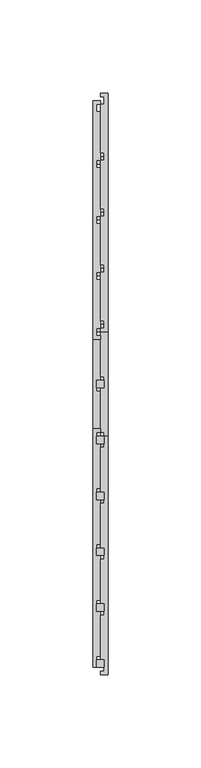
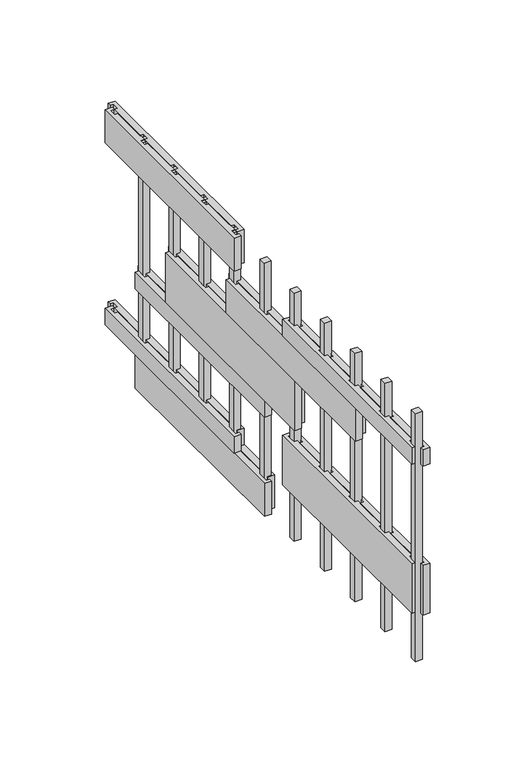
"""IFC4 building model written with IfcOpenShell, lengths in millimetres: proxy geometry."""

import ifcopenshell
import ifcopenshell.guid

model = None  # the IFC model being written
_history = None  # IfcOwnerHistory: only IFC2X3 demands one
_inside = {}  # id of a spatial element -> (the spatial element, [elements in it])
_under = {}  # id of a project, library or spatial element -> (it, [spatial elements below it])
_declared = {}  # id of a project -> (the project, [libraries it declares])
_typed = {}  # id of a type object -> (the type object, [elements of that type])
_made_of = {}  # id of a material, layer set ... -> (it, [elements and type objects made of it])


def new_model(schema):
    """Start an empty IFC model of exactly this schema.

    Asked for "IFC4X3", IfcOpenShell would pick the latest addendum, in which some entities
    have other attributes; the version numbers below select the first issue.
    IFC2X3 requires an IfcOwnerHistory on every rooted entity: one is made here for all.
    """
    global model, _history
    if schema == "IFC4X3":
        model = ifcopenshell.file(schema_version=(4, 3, 0, 0))
    else:
        model = ifcopenshell.file(schema=schema)
    _inside.clear()
    _under.clear()
    _declared.clear()
    _typed.clear()
    _made_of.clear()
    _history = None
    if model.schema == "IFC2X3":
        org = make("IfcOrganization", Name="unknown")
        user = make(
            "IfcPersonAndOrganization",
            ThePerson=make("IfcPerson", FamilyName="unknown"),
            TheOrganization=org,
        )
        app = make(
            "IfcApplication",
            ApplicationDeveloper=org,
            Version="unknown",
            ApplicationFullName="unknown",
            ApplicationIdentifier="unknown",
        )
        _history = make(
            "IfcOwnerHistory",
            OwningUser=user,
            OwningApplication=app,
            ChangeAction="ADDED",
            CreationDate=0,
        )
    return model


def make(cls, **values):
    """One entity of the class cls with the attributes given. An attribute that is None is left unset."""
    return model.create_entity(
        cls, **{name: value for name, value in values.items() if value is not None}
    )


def rooted(cls, **values):
    """An entity with a GlobalId (a new one), such as an element, a storey or a relation."""
    return make(cls, GlobalId=ifcopenshell.guid.new(), OwnerHistory=_history, **values)


def si_unit(unit_type, name, prefix=None):
    """IfcSIUnit, for example si_unit("LENGTHUNIT", "METRE", prefix="MILLI")."""
    return make("IfcSIUnit", UnitType=unit_type, Prefix=prefix, Name=name)


def assignment(units):
    """IfcUnitAssignment: the units of a project."""
    return None if units is None else make("IfcUnitAssignment", Units=units)


def point(xyz):
    """IfcCartesianPoint."""
    return None if xyz is None else make("IfcCartesianPoint", Coordinates=xyz)


def direction(xyz):
    """IfcDirection."""
    return None if xyz is None else make("IfcDirection", DirectionRatios=xyz)


def frame(location, z_axis=None, x_axis=None):
    """IfcAxis2Placement3D, a coordinate frame: its origin and axes. An axis left out is left unset."""
    return make(
        "IfcAxis2Placement3D",
        Location=point(location),
        Axis=direction(z_axis),
        RefDirection=direction(x_axis),
    )


def origin():
    """The frame at (0, 0, 0) with its axes left unset."""
    return frame((0.0, 0.0, 0.0))


def origin_with_axes():
    """The frame at (0, 0, 0) with the z axis (0, 0, 1) and the x axis (1, 0, 0) written out."""
    return frame((0.0, 0.0, 0.0), z_axis=(0.0, 0.0, 1.0), x_axis=(1.0, 0.0, 0.0))


def place(relative_to, where):
    """IfcLocalPlacement: puts the frame where relative to a parent placement (None: the world)."""
    return make(
        "IfcLocalPlacement", PlacementRelTo=relative_to, RelativePlacement=where
    )


def context(
    kind, dimensions, precision=None, world=None, true_north=None, identifier=None
):
    """IfcGeometricRepresentationContext, for example the 3D "Model" context."""
    return make(
        "IfcGeometricRepresentationContext",
        ContextIdentifier=identifier,
        ContextType=kind,
        CoordinateSpaceDimension=dimensions,
        Precision=precision,
        WorldCoordinateSystem=world,
        TrueNorth=true_north,
    )


def project(units=None, contexts=None):
    """IfcProject with its units and contexts."""
    return rooted(
        "IfcProject",
        Name="project",
        RepresentationContexts=contexts,
        UnitsInContext=assignment(units),
    )


def spatial(cls, under=None, at=None, **own):
    """A site, building, storey or space (cls), placed at a placement, below another one or the project."""
    s = rooted(cls, ObjectPlacement=at, **own)
    if under is not None:
        _under.setdefault(under.id(), (under, []))[1].append(s)
    return s


def polyline(points):
    """IfcPolyline through the points."""
    return make("IfcPolyline", Points=[point(p) for p in points])


def outline(outer, holes=None, kind="AREA"):
    """IfcArbitraryClosedProfileDef: a profile drawn as a closed curve; with holes, ...WithVoids."""
    if holes is None:
        return make("IfcArbitraryClosedProfileDef", ProfileType=kind, OuterCurve=outer)
    return make(
        "IfcArbitraryProfileDefWithVoids",
        ProfileType=kind,
        OuterCurve=outer,
        InnerCurves=holes,
    )


def extrude(swept, where, along, depth):
    """IfcExtrudedAreaSolid: the profile swept, set in the frame where, extruded along a direction by depth."""
    return make(
        "IfcExtrudedAreaSolid",
        SweptArea=swept,
        Position=where,
        ExtrudedDirection=direction(along),
        Depth=depth,
    )


def shape(context_of_items, identifier, shape_type, items):
    """IfcShapeRepresentation: the items that make up one representation, for example the "Body"."""
    return make(
        "IfcShapeRepresentation",
        ContextOfItems=context_of_items,
        RepresentationIdentifier=identifier,
        RepresentationType=shape_type,
        Items=items,
    )


def source(mapping_origin, context_of_items, identifier, shape_type, items):
    """IfcRepresentationMap: a shape defined once, which mapped items show again and again."""
    return make(
        "IfcRepresentationMap",
        MappingOrigin=mapping_origin,
        MappedRepresentation=shape(context_of_items, identifier, shape_type, items),
    )


def transform(
    local_origin,
    x_axis=None,
    y_axis=None,
    z_axis=None,
    scale=None,
    scale2=None,
    scale3=None,
    uniform=True,
):
    """IfcCartesianTransformationOperator3D, or its non-uniform kind. x_axis, y_axis, z_axis: its Axis1, 2, 3."""
    if uniform:
        return make(
            "IfcCartesianTransformationOperator3D",
            Axis1=direction(x_axis),
            Axis2=direction(y_axis),
            LocalOrigin=point(local_origin),
            Scale=scale,
            Axis3=direction(z_axis),
        )
    return make(
        "IfcCartesianTransformationOperator3DnonUniform",
        Axis1=direction(x_axis),
        Axis2=direction(y_axis),
        LocalOrigin=point(local_origin),
        Scale=scale,
        Axis3=direction(z_axis),
        Scale2=scale2,
        Scale3=scale3,
    )


def mapped(mapping_source, mapping_target):
    """IfcMappedItem: shows the shape of a source again, moved by a transform."""
    return make(
        "IfcMappedItem", MappingSource=mapping_source, MappingTarget=mapping_target
    )


def made_of(thing, what):
    """Note that an element or type object is made of a material, layer set ...; save() writes the relation."""
    if what is not None:
        _made_of.setdefault(what.id(), (what, []))[1].append(thing)
    return thing


def element(
    cls,
    number,
    at=None,
    inside=None,
    cuts=None,
    type_object=None,
    material=None,
    context=None,
    identifier="Body",
    shape_type=None,
    held_by="IfcProductDefinitionShape",
    body=None,
    shapes=None,
    **own,
):
    """One element of the class cls, such as IfcWall. Its Tag is "e" and its number.

    at: its placement. inside: the storey or other place that contains it. cuts: it is an
    opening in that element (IfcRelVoidsElement). A single representation is given by context,
    identifier, shape_type and body (its items); several are given by shapes. held_by: the class
    of the entity that holds the representations. save() writes the other relations.
    """
    e = rooted(cls, Tag="e%d" % number, ObjectPlacement=at, **own)
    if body is not None:
        shapes = [shape(context, identifier, shape_type, body)]
    if shapes is not None:
        e.Representation = make(held_by, Representations=shapes)
    if inside is not None:
        _inside.setdefault(inside.id(), (inside, []))[1].append(e)
    if cuts is not None:
        rooted(
            "IfcRelVoidsElement", RelatingBuildingElement=cuts, RelatedOpeningElement=e
        )
    if type_object is not None:
        _typed.setdefault(type_object.id(), (type_object, []))[1].append(e)
    return made_of(e, material)


def aggregate(whole, parts):
    """IfcRelAggregates: a whole, such as a stair, and the parts it consists of."""
    return rooted("IfcRelAggregates", RelatingObject=whole, RelatedObjects=parts)


def save(model, path):
    """Write the relations noted so far, then the file.

    IfcRelAggregates (storeys below a building ...), IfcRelContainedInSpatialStructure (elements
    in a storey), IfcRelDefinesByType, IfcRelAssociatesMaterial and IfcRelDeclares: one each for
    every whole, place, type object, material and project.
    """
    for whole, parts in _under.values():
        aggregate(whole, parts)
    for where, things in _inside.values():
        rooted(
            "IfcRelContainedInSpatialStructure",
            RelatedElements=things,
            RelatingStructure=where,
        )
    for kind, things in _typed.values():
        rooted("IfcRelDefinesByType", RelatedObjects=things, RelatingType=kind)
    for what, things in _made_of.values():
        rooted("IfcRelAssociatesMaterial", RelatedObjects=things, RelatingMaterial=what)
    for by, libraries in _declared.values():
        rooted("IfcRelDeclares", RelatingContext=by, RelatedDefinitions=libraries)
    model.write(path)


def generic_models_149d0970(model_context):
    return source(origin(), model_context, "Body", "SweptSolid", [
        extrude(outline(polyline([(2.0, -242.0), (-2.0, -242.0), (-2.0, -238.0), (2.0, -238.0), (2.0, -242.0)])), origin_with_axes(), (0.0, 0.0, 1.0), 150.0),
        extrude(outline(polyline([(2.0, -272.0), (-2.0, -272.0), (-2.0, -268.0), (2.0, -268.0), (2.0, -272.0)])), origin_with_axes(), (0.0, 0.0, 1.0), 150.0),
        extrude(outline(polyline([(4.0, 36.0), (4.0, -92.0), (0.0, -92.0), (0.0, -90.0), (2.0, -90.0), (2.0, -86.0), (0.0, -86.0), (0.0, -60.0), (2.0, -60.0), (2.0, -56.0), (0.0, -56.0), (0.0, -30.0), (2.0, -30.0), (2.0, -26.0), (0.0, -26.0), (0.0, 0.0), (2.0, 0.0), (2.0, 4.0), (0.0, 4.0), (0.0, 30.0), (2.0, 30.0), (2.0, 34.0), (0.0, 34.0), (0.0, 36.0), (4.0, 36.0)])), frame((0.0, 0.0, 20.0), z_axis=(0.0, 0.0, 1.0), x_axis=(1.0, 0.0, 0.0)), (0.0, 0.0, 1.0), 10.0),
        extrude(outline(polyline([(4.0, 6.0), (4.0, -122.0), (0.0, -122.0), (0.0, -120.0), (2.0, -120.0), (2.0, -116.0), (0.0, -116.0), (0.0, -90.0), (2.0, -90.0), (2.0, -86.0), (0.0, -86.0), (0.0, -60.0), (2.0, -60.0), (2.0, -56.0), (0.0, -56.0), (0.0, -30.0), (2.0, -30.0), (2.0, -26.0), (0.0, -26.0), (0.0, 0.0), (2.0, 0.0), (2.0, 4.0), (0.0, 4.0), (0.0, 6.0), (4.0, 6.0)])), origin_with_axes(), (0.0, 0.0, 1.0), 20.0),
        extrude(outline(polyline([(4.0, -148.0), (4.0, -276.0), (0.0, -276.0), (0.0, -274.0), (2.0, -274.0), (2.0, -270.0), (0.0, -270.0), (0.0, -244.0), (2.0, -244.0), (2.0, -240.0), (0.0, -240.0), (0.0, -214.0), (2.0, -214.0), (2.0, -210.0), (0.0, -210.0), (0.0, -184.0), (2.0, -184.0), (2.0, -180.0), (0.0, -180.0), (0.0, -154.0), (2.0, -154.0), (2.0, -150.0), (0.0, -150.0), (0.0, -148.0), (4.0, -148.0)])), frame((0.0, 0.0, 30.0), z_axis=(0.0, 0.0, 1.0), x_axis=(1.0, 0.0, 0.0)), (0.0, 0.0, 1.0), 30.0),
        extrude(outline(polyline([(4.0, -24.0), (4.0, -152.0), (0.0, -152.0), (0.0, -150.0), (2.0, -150.0), (2.0, -146.0), (0.0, -146.0), (0.0, -120.0), (2.0, -120.0), (2.0, -116.0), (0.0, -116.0), (0.0, -90.0), (2.0, -90.0), (2.0, -86.0), (0.0, -86.0), (0.0, -60.0), (2.0, -60.0), (2.0, -56.0), (0.0, -56.0), (0.0, -30.0), (2.0, -30.0), (2.0, -26.0), (0.0, -26.0), (0.0, -24.0), (4.0, -24.0)])), frame((0.0, 0.0, 70.0), z_axis=(0.0, 0.0, 1.0), x_axis=(1.0, 0.0, 0.0)), (0.0, 0.0, 1.0), 30.0),
        extrude(outline(polyline([(4.0, 6.0), (4.0, -122.0), (0.0, -122.0), (0.0, -120.0), (2.0, -120.0), (2.0, -116.0), (0.0, -116.0), (0.0, -90.0), (2.0, -90.0), (2.0, -86.0), (0.0, -86.0), (0.0, -60.0), (2.0, -60.0), (2.0, -56.0), (0.0, -56.0), (0.0, -30.0), (2.0, -30.0), (2.0, -26.0), (0.0, -26.0), (0.0, 0.0), (2.0, 0.0), (2.0, 4.0), (0.0, 4.0), (0.0, 6.0), (4.0, 6.0)])), frame((0.0, 0.0, 60.0), z_axis=(0.0, 0.0, 1.0), x_axis=(1.0, 0.0, 0.0)), (0.0, 0.0, 1.0), 10.0),
        extrude(outline(polyline([(4.0, -84.0), (4.0, -212.0), (0.0, -212.0), (0.0, -210.0), (2.0, -210.0), (2.0, -206.0), (0.0, -206.0), (0.0, -180.0), (2.0, -180.0), (2.0, -176.0), (0.0, -176.0), (0.0, -150.0), (2.0, -150.0), (2.0, -146.0), (0.0, -146.0), (0.0, -120.0), (2.0, -120.0), (2.0, -116.0), (0.0, -116.0), (0.0, -90.0), (2.0, -90.0), (2.0, -86.0), (0.0, -86.0), (0.0, -84.0), (4.0, -84.0)])), frame((0.0, 0.0, 100.0), z_axis=(0.0, 0.0, 1.0), x_axis=(1.0, 0.0, 0.0)), (0.0, 0.0, 1.0), 20.0),
        extrude(outline(polyline([(4.0, -148.0), (4.0, -276.0), (0.0, -276.0), (0.0, -274.0), (2.0, -274.0), (2.0, -270.0), (0.0, -270.0), (0.0, -244.0), (2.0, -244.0), (2.0, -240.0), (0.0, -240.0), (0.0, -214.0), (2.0, -214.0), (2.0, -210.0), (0.0, -210.0), (0.0, -184.0), (2.0, -184.0), (2.0, -180.0), (0.0, -180.0), (0.0, -154.0), (2.0, -154.0), (2.0, -150.0), (0.0, -150.0), (0.0, -148.0), (4.0, -148.0)])), frame((0.0, 0.0, 120.0), z_axis=(0.0, 0.0, 1.0), x_axis=(1.0, 0.0, 0.0)), (0.0, 0.0, 1.0), 10.0),
        extrude(outline(polyline([(4.0, 36.0), (4.0, -92.0), (0.0, -92.0), (0.0, -90.0), (2.0, -90.0), (2.0, -86.0), (0.0, -86.0), (0.0, -60.0), (2.0, -60.0), (2.0, -56.0), (0.0, -56.0), (0.0, -30.0), (2.0, -30.0), (2.0, -26.0), (0.0, -26.0), (0.0, 0.0), (2.0, 0.0), (2.0, 4.0), (0.0, 4.0), (0.0, 30.0), (2.0, 30.0), (2.0, 34.0), (0.0, 34.0), (0.0, 36.0), (4.0, 36.0)])), frame((0.0, 0.0, 130.0), z_axis=(0.0, 0.0, 1.0), x_axis=(1.0, 0.0, 0.0)), (0.0, 0.0, 1.0), 20.0),
        extrude(outline(polyline([(-4.0, -272.0), (-4.0, -144.0), (0.0, -144.0), (0.0, -146.0), (-2.0, -146.0), (-2.0, -150.0), (0.0, -150.0), (0.0, -176.0), (-2.0, -176.0), (-2.0, -180.0), (0.0, -180.0), (0.0, -206.0), (-2.0, -206.0), (-2.0, -210.0), (0.0, -210.0), (0.0, -236.0), (-2.0, -236.0), (-2.0, -240.0), (0.0, -240.0), (0.0, -266.0), (-2.0, -266.0), (-2.0, -270.0), (0.0, -270.0), (0.0, -272.0), (-4.0, -272.0)])), frame((0.0, 0.0, 120.0), z_axis=(0.0, 0.0, 1.0), x_axis=(1.0, 0.0, 0.0)), (0.0, 0.0, 1.0), 10.0),
        extrude(outline(polyline([(-4.0, -272.0), (-4.0, -144.0), (0.0, -144.0), (0.0, -146.0), (-2.0, -146.0), (-2.0, -150.0), (0.0, -150.0), (0.0, -176.0), (-2.0, -176.0), (-2.0, -180.0), (0.0, -180.0), (0.0, -206.0), (-2.0, -206.0), (-2.0, -210.0), (0.0, -210.0), (0.0, -236.0), (-2.0, -236.0), (-2.0, -240.0), (0.0, -240.0), (0.0, -266.0), (-2.0, -266.0), (-2.0, -270.0), (0.0, -270.0), (0.0, -272.0), (-4.0, -272.0)])), frame((0.0, 0.0, 30.0), z_axis=(0.0, 0.0, 1.0), x_axis=(1.0, 0.0, 0.0)), (0.0, 0.0, 1.0), 30.0),
        extrude(outline(polyline([(-4.0, -96.0), (-4.0, 32.0), (0.0, 32.0), (0.0, 30.0), (-2.0, 30.0), (-2.0, 26.0), (0.0, 26.0), (0.0, 0.0), (-2.0, 0.0), (-2.0, -4.0), (0.0, -4.0), (0.0, -30.0), (-2.0, -30.0), (-2.0, -34.0), (0.0, -34.0), (0.0, -60.0), (-2.0, -60.0), (-2.0, -64.0), (0.0, -64.0), (0.0, -90.0), (-2.0, -90.0), (-2.0, -94.0), (0.0, -94.0), (0.0, -96.0), (-4.0, -96.0)])), frame((0.0, 0.0, 130.0), z_axis=(0.0, 0.0, 1.0), x_axis=(1.0, 0.0, 0.0)), (0.0, 0.0, 1.0), 20.0),
        extrude(outline(polyline([(2.0, -212.0), (-2.0, -212.0), (-2.0, -208.0), (2.0, -208.0), (2.0, -212.0)])), origin_with_axes(), (0.0, 0.0, 1.0), 150.0),
        extrude(outline(polyline([(2.0, -182.0), (-2.0, -182.0), (-2.0, -178.0), (2.0, -178.0), (2.0, -182.0)])), origin_with_axes(), (0.0, 0.0, 1.0), 150.0),
        extrude(outline(polyline([(-4.0, -216.0), (-4.0, -88.0), (0.0, -88.0), (0.0, -90.0), (-2.0, -90.0), (-2.0, -94.0), (0.0, -94.0), (0.0, -120.0), (-2.0, -120.0), (-2.0, -124.0), (0.0, -124.0), (0.0, -150.0), (-2.0, -150.0), (-2.0, -154.0), (0.0, -154.0), (0.0, -180.0), (-2.0, -180.0), (-2.0, -184.0), (0.0, -184.0), (0.0, -210.0), (-2.0, -210.0), (-2.0, -214.0), (0.0, -214.0), (0.0, -216.0), (-4.0, -216.0)])), frame((0.0, 0.0, 100.0), z_axis=(0.0, 0.0, 1.0), x_axis=(1.0, 0.0, 0.0)), (0.0, 0.0, 1.0), 20.0),
        extrude(outline(polyline([(-4.0, -96.0), (-4.0, 32.0), (0.0, 32.0), (0.0, 30.0), (-2.0, 30.0), (-2.0, 26.0), (0.0, 26.0), (0.0, 0.0), (-2.0, 0.0), (-2.0, -4.0), (0.0, -4.0), (0.0, -30.0), (-2.0, -30.0), (-2.0, -34.0), (0.0, -34.0), (0.0, -60.0), (-2.0, -60.0), (-2.0, -64.0), (0.0, -64.0), (0.0, -90.0), (-2.0, -90.0), (-2.0, -94.0), (0.0, -94.0), (0.0, -96.0), (-4.0, -96.0)])), frame((0.0, 0.0, 20.0), z_axis=(0.0, 0.0, 1.0), x_axis=(1.0, 0.0, 0.0)), (0.0, 0.0, 1.0), 10.0),
        extrude(outline(polyline([(-4.0, -126.0), (-4.0, 2.0), (0.0, 2.0), (0.0, 0.0), (-2.0, 0.0), (-2.0, -4.0), (0.0, -4.0), (0.0, -30.0), (-2.0, -30.0), (-2.0, -34.0), (0.0, -34.0), (0.0, -60.0), (-2.0, -60.0), (-2.0, -64.0), (0.0, -64.0), (0.0, -90.0), (-2.0, -90.0), (-2.0, -94.0), (0.0, -94.0), (0.0, -120.0), (-2.0, -120.0), (-2.0, -124.0), (0.0, -124.0), (0.0, -126.0), (-4.0, -126.0)])), origin_with_axes(), (0.0, 0.0, 1.0), 20.0),
        extrude(outline(polyline([(-4.0, -156.0), (-4.0, -28.0), (0.0, -28.0), (0.0, -30.0), (-2.0, -30.0), (-2.0, -34.0), (0.0, -34.0), (0.0, -60.0), (-2.0, -60.0), (-2.0, -64.0), (0.0, -64.0), (0.0, -90.0), (-2.0, -90.0), (-2.0, -94.0), (0.0, -94.0), (0.0, -120.0), (-2.0, -120.0), (-2.0, -124.0), (0.0, -124.0), (0.0, -150.0), (-2.0, -150.0), (-2.0, -154.0), (0.0, -154.0), (0.0, -156.0), (-4.0, -156.0)])), frame((0.0, 0.0, 70.0), z_axis=(0.0, 0.0, 1.0), x_axis=(1.0, 0.0, 0.0)), (0.0, 0.0, 1.0), 30.0),
        extrude(outline(polyline([(-4.0, -126.0), (-4.0, 2.0), (0.0, 2.0), (0.0, 0.0), (-2.0, 0.0), (-2.0, -4.0), (0.0, -4.0), (0.0, -30.0), (-2.0, -30.0), (-2.0, -34.0), (0.0, -34.0), (0.0, -60.0), (-2.0, -60.0), (-2.0, -64.0), (0.0, -64.0), (0.0, -90.0), (-2.0, -90.0), (-2.0, -94.0), (0.0, -94.0), (0.0, -120.0), (-2.0, -120.0), (-2.0, -124.0), (0.0, -124.0), (0.0, -126.0), (-4.0, -126.0)])), frame((0.0, 0.0, 60.0), z_axis=(0.0, 0.0, 1.0), x_axis=(1.0, 0.0, 0.0)), (0.0, 0.0, 1.0), 10.0),
        extrude(outline(polyline([(2.0, -148.0), (2.0, -152.0), (-2.0, -152.0), (-2.0, -148.0), (2.0, -148.0)])), origin_with_axes(), (0.0, 0.0, 1.0), 150.0),
        extrude(outline(polyline([(2.0, -118.0), (2.0, -122.0), (-2.0, -122.0), (-2.0, -118.0), (2.0, -118.0)])), origin_with_axes(), (0.0, 0.0, 1.0), 150.0),
        extrude(outline(polyline([(2.0, -88.0), (2.0, -92.0), (-2.0, -92.0), (-2.0, -88.0), (2.0, -88.0)])), origin_with_axes(), (0.0, 0.0, 1.0), 150.0),
        extrude(outline(polyline([(2.0, -58.0), (2.0, -62.0), (-2.0, -62.0), (-2.0, -58.0), (2.0, -58.0)])), origin_with_axes(), (0.0, 0.0, 1.0), 150.0),
        extrude(outline(polyline([(2.0, -28.0), (2.0, -32.0), (-2.0, -32.0), (-2.0, -28.0), (2.0, -28.0)])), origin_with_axes(), (0.0, 0.0, 1.0), 150.0),
        extrude(outline(polyline([(2.0, 2.0), (2.0, -2.0), (-2.0, -2.0), (-2.0, 2.0), (2.0, 2.0)])), origin_with_axes(), (0.0, 0.0, 1.0), 150.0),
    ])


if __name__ == "__main__":
    model = new_model("IFC4")
    model_context = context("Model", 3, world=origin())
    ifc_project = project(units=[si_unit("LENGTHUNIT", "METRE", prefix="MILLI")], contexts=[model_context])
    site = spatial("IfcSite", under=ifc_project)
    building = spatial("IfcBuilding", under=site)
    placement = place(None, origin())
    generic_models_shape = generic_models_149d0970(model_context)
    element("IfcBuildingElementProxy", 1, Name="Generic Models", at=placement, inside=building, context=model_context, shape_type="MappedRepresentation", body=[
        mapped(generic_models_shape, transform((0.0, 0.0, 0.0), x_axis=(1.0, 0.0, 0.0), y_axis=(0.0, 1.0, 0.0), z_axis=(0.0, 0.0, 1.0))),
    ])
    save(model, "model.ifc")
